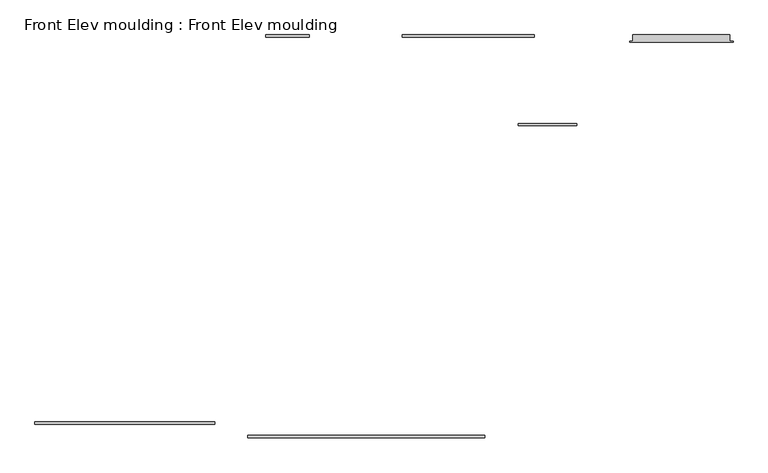
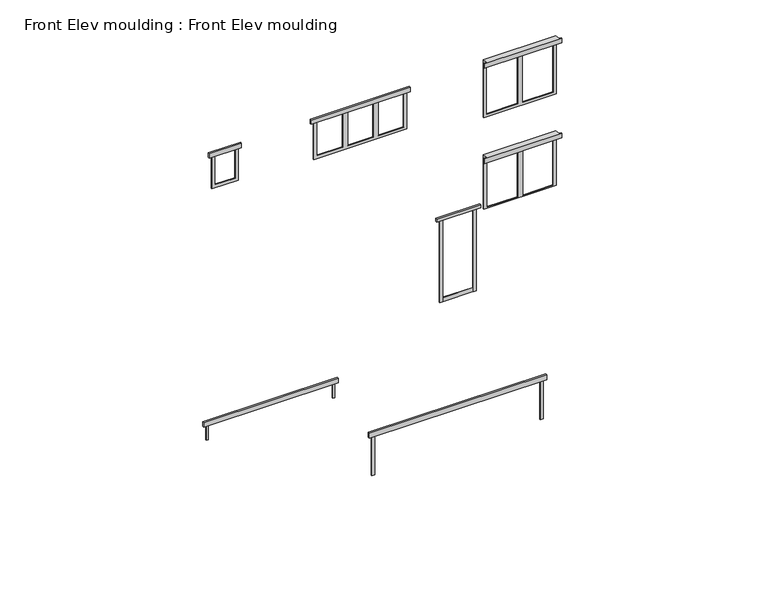
"""IFC4 building model written with IfcOpenShell, lengths in millimetres: proxy geometry, Front Elev moulding : Front Elev moulding."""

from ifc_helpers import new_model, si_unit, frame, origin, place, context, project, spatial, polyline, outline, extrude, source, transform, mapped, element, save


def front_elev_moulding_front_elev_moulding_8945b6ee(model_context):
    return source(origin(), model_context, "Body", "SweptSolid", [
        extrude(outline(polyline([(15125.7, 14274.8), (15125.7, 14300.2), (15201.9, 14300.2), (15201.9, 14439.9), (17360.9, 14439.9), (17360.9, 14300.2), (17437.1, 14300.2), (17437.1, 14274.8), (15125.7, 14274.8)])), frame((0.0, 0.0, 5286.375), z_axis=(0.0, 0.0, 1.0), x_axis=(1.0, 0.0, 0.0)), (0.0, 0.0, 1.0), 139.7),
        extrude(outline(polyline([(15125.7, 14274.8), (15125.7, 14300.2), (15201.9, 14300.2), (15201.9, 14439.9), (17360.9, 14439.9), (17360.9, 14300.2), (17437.1, 14300.2), (17437.1, 14274.8), (15125.7, 14274.8)])), frame((0.0, 0.0, 2286.0), z_axis=(0.0, 0.0, 1.0), x_axis=(1.0, 0.0, 0.0)), (0.0, 0.0, 1.0), 152.4),
        extrude(outline(polyline([(13766.8, 12446.0), (12833.35, 12446.0), (12833.35, 12458.7), (13766.8, 12458.7), (13766.8, 12446.0)])), frame((0.0, 0.0, -152.4), z_axis=(0.0, 0.0, 1.0), x_axis=(1.0, 0.0, 0.0)), (0.0, 0.0, 1.0), 127.0),
        extrude(outline(polyline([(13836.65, 12433.3), (13747.75, 12433.3), (13747.75, 12458.7), (13836.65, 12458.7), (13836.65, 12433.3)])), frame((0.0, 0.0, -152.4), z_axis=(0.0, 0.0, 1.0), x_axis=(1.0, 0.0, 0.0)), (0.0, 0.0, 1.0), 2590.8),
        extrude(outline(polyline([(12833.35, 12433.3), (12744.45, 12433.3), (12744.45, 12458.7), (12833.35, 12458.7), (12833.35, 12433.3)])), frame((0.0, 0.0, -152.4), z_axis=(0.0, 0.0, 1.0), x_axis=(1.0, 0.0, 0.0)), (0.0, 0.0, 1.0), 2590.8),
        extrude(outline(polyline([(13944.6, 12407.9), (12636.5, 12407.9), (12636.5, 12458.7), (13944.6, 12458.7), (13944.6, 12407.9)])), frame((0.0, 0.0, 2438.4), z_axis=(0.0, 0.0, 1.0), x_axis=(1.0, 0.0, 0.0)), (0.0, 0.0, 1.0), 101.6),
        extrude(outline(polyline([(5861.05, 5740.4), (1847.85, 5740.4), (1847.85, 5791.2), (5861.05, 5791.2), (5861.05, 5740.4)])), frame((0.0, 0.0, 3810.0), z_axis=(0.0, 0.0, 1.0), x_axis=(1.0, 0.0, 0.0)), (0.0, 0.0, 1.0), 139.7),
        extrude(outline(polyline([(2000.25, 5765.8), (1936.75, 5765.8), (1936.75, 5791.2), (2000.25, 5791.2), (2000.25, 5765.8)])), frame((0.0, 0.0, 3352.8), z_axis=(0.0, 0.0, 1.0), x_axis=(1.0, 0.0, 0.0)), (0.0, 0.0, 1.0), 457.2),
        extrude(outline(polyline([(5772.15, 5765.8), (5708.65, 5765.8), (5708.65, 5791.2), (5772.15, 5791.2), (5772.15, 5765.8)])), frame((0.0, 0.0, 3352.8), z_axis=(0.0, 0.0, 1.0), x_axis=(1.0, 0.0, 0.0)), (0.0, 0.0, 1.0), 457.2),
        extrude(outline(polyline([(11798.3, 5461.0), (11709.4, 5461.0), (11709.4, 5486.4), (11798.3, 5486.4), (11798.3, 5461.0)])), frame((0.0, 0.0, 762.0), z_axis=(0.0, 0.0, 1.0), x_axis=(1.0, 0.0, 0.0)), (0.0, 0.0, 1.0), 1219.2),
        extrude(outline(polyline([(6781.8, 5461.0), (6692.9, 5461.0), (6692.9, 5486.4), (6781.8, 5486.4), (6781.8, 5461.0)])), frame((0.0, 0.0, 762.0), z_axis=(0.0, 0.0, 1.0), x_axis=(1.0, 0.0, 0.0)), (0.0, 0.0, 1.0), 1219.2),
        extrude(outline(polyline([(11887.2, 5435.6), (6604.0, 5435.6), (6604.0, 5486.4), (11887.2, 5486.4), (11887.2, 5435.6)])), frame((0.0, 0.0, 1981.2), z_axis=(0.0, 0.0, 1.0), x_axis=(1.0, 0.0, 0.0)), (0.0, 0.0, 1.0), 152.4),
        extrude(outline(polyline([(5222.875, 7092.95), (4219.575, 7092.95), (4219.575, 7880.35), (5222.875, 7880.35), (5222.875, 7791.45), (4308.475, 7791.45), (4308.475, 7181.85), (5222.875, 7181.85), (5222.875, 7092.95)])), frame((0.0, 14414.5, 0.0), z_axis=(0.0, 1.0, 0.0), x_axis=(0.0, 0.0, 1.0)), (0.0, 0.0, 1.0), 25.4),
        extrude(outline(polyline([(5222.875, 10140.95), (4067.175, 10140.95), (4067.175, 12909.55), (5222.875, 12909.55), (5222.875, 12820.65), (4156.075, 12820.65), (4156.075, 12058.65), (5222.875, 12058.65), (5222.875, 11906.25), (4156.075, 11906.25), (4156.075, 11144.25), (5222.875, 11144.25), (5222.875, 10991.85), (4156.075, 10991.85), (4156.075, 10229.85), (5222.875, 10229.85), (5222.875, 10140.95)])), frame((0.0, 14414.5, 0.0), z_axis=(0.0, 1.0, 0.0), x_axis=(0.0, 0.0, 1.0)), (0.0, 0.0, 1.0), 25.4),
        extrude(outline(polyline([(5286.375, 15201.9), (3609.975, 15201.9), (3609.975, 17360.9), (5286.375, 17360.9), (5286.375, 15201.9)]), holes=[polyline([(5222.875, 16205.2), (3698.875, 16205.2), (3698.875, 15290.8), (5222.875, 15290.8), (5222.875, 16205.2)]), polyline([(3698.875, 17272.0), (3698.875, 16357.6), (5222.875, 16357.6), (5222.875, 17272.0), (3698.875, 17272.0)])]), frame((0.0, 14414.5, 0.0), z_axis=(0.0, 1.0, 0.0), x_axis=(0.0, 0.0, 1.0)), (0.0, 0.0, 1.0), 25.4),
        extrude(outline(polyline([(2286.0, 15201.9), (736.6, 15201.9), (736.6, 17360.9), (2286.0, 17360.9), (2286.0, 17272.0), (762.0, 17272.0), (762.0, 16357.6), (2286.0, 16357.6), (2286.0, 16205.2), (762.0, 16205.2), (762.0, 15290.8), (2286.0, 15290.8), (2286.0, 15201.9)])), frame((0.0, 14414.5, 0.0), z_axis=(0.0, 1.0, 0.0), x_axis=(0.0, 0.0, 1.0)), (0.0, 0.0, 1.0), 25.4),
        extrude(outline(polyline([(12998.45, 14389.1), (10052.05, 14389.1), (10052.05, 14439.9), (12998.45, 14439.9), (12998.45, 14389.1)])), frame((0.0, 0.0, 5222.875), z_axis=(0.0, 0.0, 1.0), x_axis=(1.0, 0.0, 0.0)), (0.0, 0.0, 1.0), 139.7),
        extrude(outline(polyline([(7969.25, 14389.1), (7004.05, 14389.1), (7004.05, 14439.9), (7969.25, 14439.9), (7969.25, 14389.1)])), frame((0.0, 0.0, 5222.875), z_axis=(0.0, 0.0, 1.0), x_axis=(1.0, 0.0, 0.0)), (0.0, 0.0, 1.0), 139.7),
    ])


if __name__ == "__main__":
    model = new_model("IFC4")
    model_context = context("Model", 3, world=origin())
    ifc_project = project(units=[si_unit("LENGTHUNIT", "METRE", prefix="MILLI")], contexts=[model_context])
    site = spatial("IfcSite", under=ifc_project)
    building = spatial("IfcBuilding", under=site)
    placement = place(None, origin())
    front_elev_moulding_front_elev_moulding_shape = front_elev_moulding_front_elev_moulding_8945b6ee(model_context)
    element("IfcBuildingElementProxy", 1, Name="Front Elev moulding : Front Elev moulding", ObjectType="Front Elev moulding : Front Elev moulding", at=placement, inside=building, context=model_context, shape_type="MappedRepresentation", body=[
        mapped(front_elev_moulding_front_elev_moulding_shape, transform((0.0, 0.0, 0.0), x_axis=(1.0, 0.0, 0.0), y_axis=(0.0, 1.0, 0.0), z_axis=(0.0, 0.0, 1.0))),
    ])
    save(model, "model.ifc")
